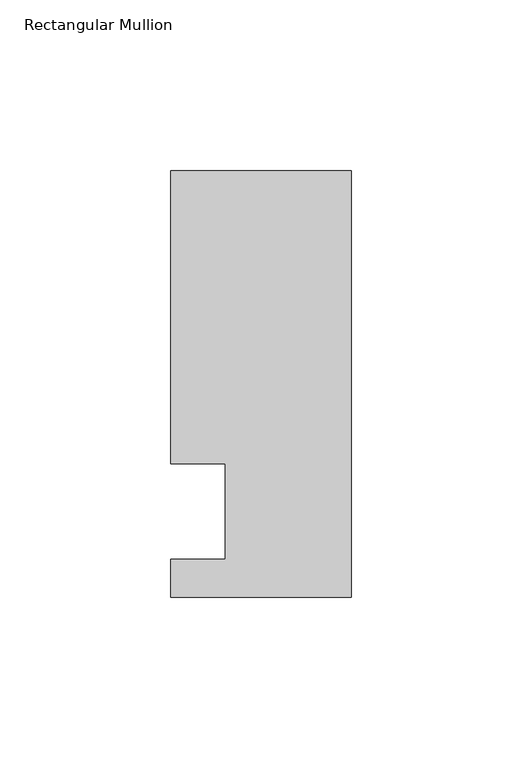
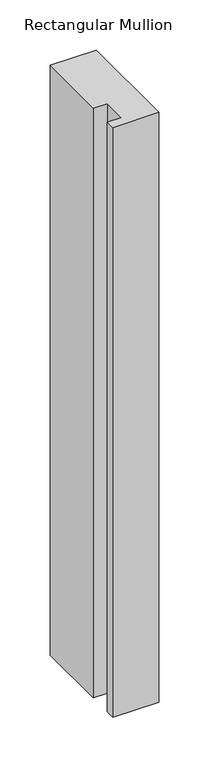
"""IFC4 building model written with IfcOpenShell, lengths in millimetres: member geometry, Rectangular Mullion."""

from ifc_helpers import new_model, si_unit, frame, origin, place, context, project, spatial, polyline, outline, extrude, source, transform, mapped, element, save


def rectangular_mullion_0c6f9784(model_context):
    return source(origin(), model_context, "Body", "SweptSolid", [
        extrude(outline(polyline([(0.0, -25.0), (-53.0, -25.0), (-53.0, -14.0), (-37.0, -14.0), (-37.0, 13.9998907), (-53.0, 13.9998907), (-53.0, 100.0), (0.0, 100.0), (0.0, -25.0)])), frame((0.0, 0.0, -718.958673), z_axis=(0.0, 0.0, 1.0), x_axis=(1.0, 0.0, 0.0)), (0.0, 0.0, 1.0), 718.958673),
    ])


if __name__ == "__main__":
    model = new_model("IFC4")
    model_context = context("Model", 3, world=origin())
    ifc_project = project(units=[si_unit("LENGTHUNIT", "METRE", prefix="MILLI")], contexts=[model_context])
    site = spatial("IfcSite", under=ifc_project)
    building = spatial("IfcBuilding", under=site)
    placement = place(None, origin())
    rectangular_mullion_shape = rectangular_mullion_0c6f9784(model_context)
    element("IfcMember", 1, ObjectType="Rectangular Mullion", at=placement, inside=building, context=model_context, shape_type="MappedRepresentation", body=[
        mapped(rectangular_mullion_shape, transform((0.0, 0.0, 0.0), x_axis=(1.0, 0.0, 0.0), y_axis=(0.0, 1.0, 0.0), z_axis=(0.0, 0.0, 1.0))),
    ])
    save(model, "model.ifc")
